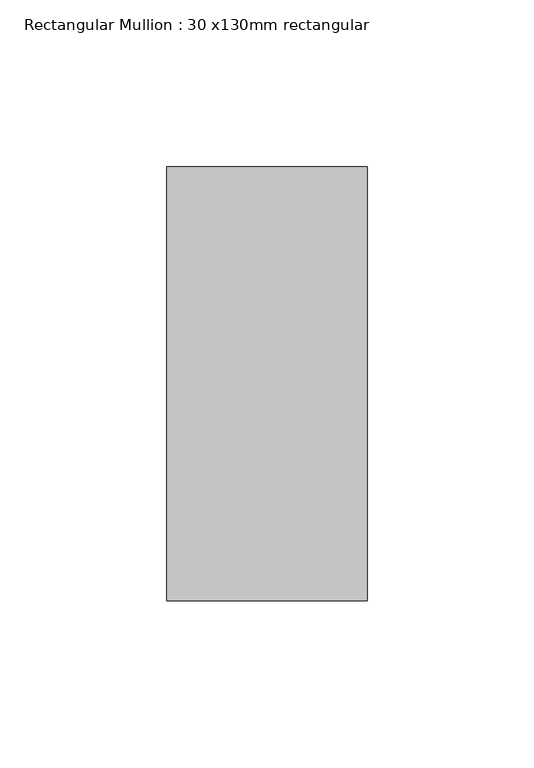
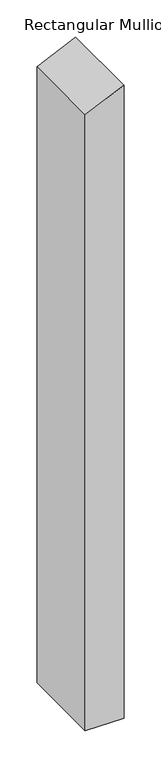
"""IFC4 building model written with IfcOpenShell, lengths in millimetres: member geometry, Rectangular Mullion : 30 x130mm rectangular."""

from ifc_helpers import new_model, si_unit, frame, origin, place, context, project, spatial, polyline, outline, extrude, source, transform, mapped, element, save


def rectangular_mullion_30_x130mm_rectangular_bd88b399(model_context):
    return source(origin(), model_context, "Body", "SweptSolid", [
        extrude(outline(polyline([(0.0, 0.0), (-27.4110151, -60.0), (-1039.5750003, -60.0), (-1039.5750003, 0.0), (0.0, 0.0)])), frame((0.0, -65.0, 0.0), z_axis=(0.0, 1.0, 0.0), x_axis=(0.0, 0.0, 1.0)), (0.0, 0.0, 1.0), 130.0),
    ])


if __name__ == "__main__":
    model = new_model("IFC4")
    model_context = context("Model", 3, world=origin())
    ifc_project = project(units=[si_unit("LENGTHUNIT", "METRE", prefix="MILLI")], contexts=[model_context])
    site = spatial("IfcSite", under=ifc_project)
    building = spatial("IfcBuilding", under=site)
    placement = place(None, origin())
    rectangular_mullion_30_x130mm_rectangular_shape = rectangular_mullion_30_x130mm_rectangular_bd88b399(model_context)
    element("IfcMember", 1, ObjectType="Rectangular Mullion : 30 x130mm rectangular", at=placement, inside=building, context=model_context, shape_type="MappedRepresentation", body=[
        mapped(rectangular_mullion_30_x130mm_rectangular_shape, transform((0.0, 0.0, 0.0), x_axis=(1.0, 0.0, 0.0), y_axis=(0.0, 1.0, 0.0), z_axis=(0.0, 0.0, 1.0))),
    ])
    save(model, "model.ifc")
